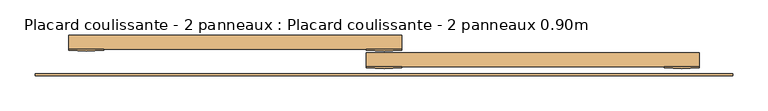
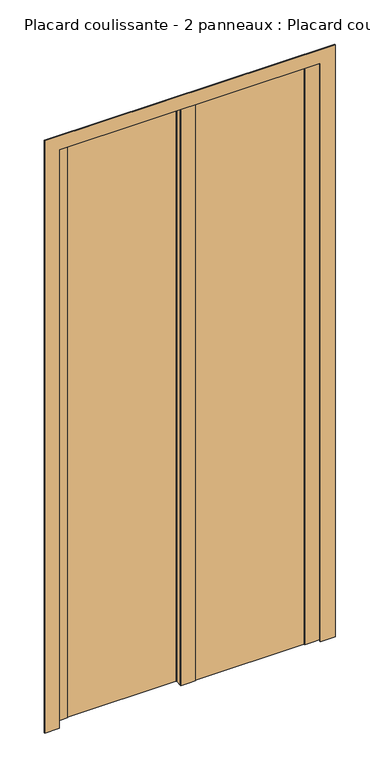
"""IFC4 building model written with IfcOpenShell, lengths in millimetres: door geometry, Placard coulissante - 2 panneaux : Placard coulissante - 2 panneaux 0.90m."""

from ifc_helpers import new_model, si_unit, point, frame, frame_2d, origin, origin_with_axes, place, context, project, spatial, polyline, circle_curve, trimmed, segment, composite_curve, outline, extrude, source, transform, mapped, element, save


def placard_coulissante_2_panneaux_placard_coulissante_2_857e089b(model_context):
    return source(origin(), model_context, "Body", "SweptSolid", [
        extrude(outline(composite_curve([segment(polyline([(450.0, -25.0), (450.0, -27.0)]), True, "CONTINUOUS"), segment(trimmed(circle_curve(frame_2d((425.0, 186.8603852)), 215.3166607), [point((450.0, -27.0))], [point((400.0, -27.0))], False, "CARTESIAN"), True, "CONTINUOUS"), segment(polyline([(400.0, -27.0), (400.0, -25.0), (450.0, -25.0)]), True, "CONTINUOUS")], self_intersect=False)), origin_with_axes(), (0.0, 0.0, 1.0), 2100.0),
        extrude(outline(composite_curve([segment(polyline([(25.0, -25.0), (25.0, -27.0)]), True, "CONTINUOUS"), segment(trimmed(circle_curve(frame_2d((0.0, 186.8603852)), 215.3166607), [point((25.0, -27.0))], [point((-25.0, -27.0))], False, "CARTESIAN"), True, "CONTINUOUS"), segment(polyline([(-25.0, -27.0), (-25.0, -25.0), (25.0, -25.0)]), True, "CONTINUOUS")], self_intersect=False)), origin_with_axes(), (0.0, 0.0, 1.0), 2100.0),
        extrude(outline(composite_curve([segment(polyline([(25.0, 0.0), (25.0, -2.0)]), True, "CONTINUOUS"), segment(trimmed(circle_curve(frame_2d((0.0, 211.8603852)), 215.3166607), [point((25.0, -2.0))], [point((-25.0, -2.0))], False, "CARTESIAN"), True, "CONTINUOUS"), segment(polyline([(-25.0, -2.0), (-25.0, 0.0), (25.0, 0.0)]), True, "CONTINUOUS")], self_intersect=False)), origin_with_axes(), (0.0, 0.0, 1.0), 2100.0),
        extrude(outline(composite_curve([segment(polyline([(-400.0, 0.0), (-400.0, -2.0)]), True, "CONTINUOUS"), segment(trimmed(circle_curve(frame_2d((-425.0, 211.8603852)), 215.3166607), [point((-400.0, -2.0))], [point((-450.0, -2.0))], False, "CARTESIAN"), True, "CONTINUOUS"), segment(polyline([(-450.0, -2.0), (-450.0, 0.0), (-400.0, 0.0)]), True, "CONTINUOUS")], self_intersect=False)), origin_with_axes(), (0.0, 0.0, 1.0), 2100.0),
        extrude(outline(polyline([(0.0, -498.0), (0.0, -448.0), (2098.0, -448.0), (2098.0, 448.0), (0.0, 448.0), (0.0, 498.0), (2148.0, 498.0), (2148.0, -498.0), (0.0, -498.0)])), frame((0.0, -38.0, 0.0), z_axis=(0.0, 1.0, 0.0), x_axis=(0.0, 0.0, 1.0)), (0.0, 0.0, 1.0), 3.0),
        extrude(outline(polyline([(450.0, -25.0), (-25.0, -25.0), (-25.0, -5.0), (450.0, -5.0), (450.0, -25.0)])), origin_with_axes(), (0.0, 0.0, 1.0), 2100.0),
        extrude(outline(polyline([(25.0, 0.0), (-450.0, 0.0), (-450.0, 20.0), (25.0, 20.0), (25.0, 0.0)])), origin_with_axes(), (0.0, 0.0, 1.0), 2100.0),
    ])


if __name__ == "__main__":
    model = new_model("IFC4")
    model_context = context("Model", 3, world=origin())
    ifc_project = project(units=[si_unit("LENGTHUNIT", "METRE", prefix="MILLI")], contexts=[model_context])
    site = spatial("IfcSite", under=ifc_project)
    building = spatial("IfcBuilding", under=site)
    placement = place(None, origin())
    placard_coulissante_2_panneaux_placard_coulissante_2_shape = placard_coulissante_2_panneaux_placard_coulissante_2_857e089b(model_context)
    element("IfcDoor", 1, ObjectType="Placard coulissante - 2 panneaux : Placard coulissante - 2 panneaux 0.90m", at=placement, inside=building, context=model_context, shape_type="MappedRepresentation", body=[
        mapped(placard_coulissante_2_panneaux_placard_coulissante_2_shape, transform((0.0, 0.0, 0.0), x_axis=(1.0, 0.0, 0.0), y_axis=(0.0, 1.0, 0.0), z_axis=(0.0, 0.0, 1.0))),
    ])
    save(model, "model.ifc")
